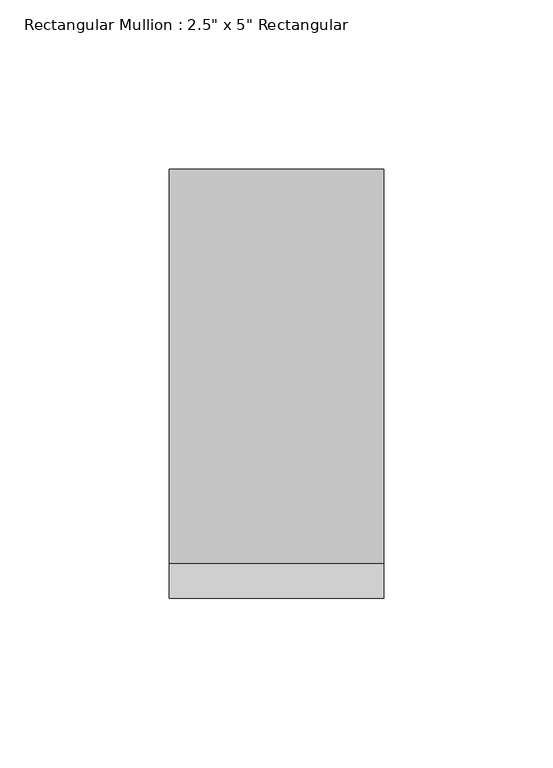
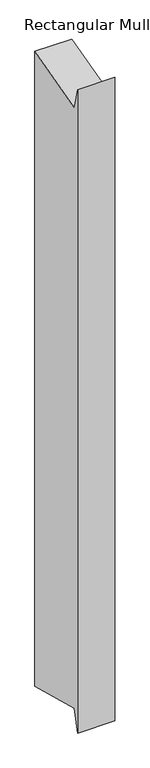
"""IFC4 building model written with IfcOpenShell, lengths in millimetres: member geometry."""

from ifc_helpers import new_model, si_unit, frame, origin, place, context, project, spatial, polyline, outline, extrude, source, transform, mapped, element, save


def member_a3ab64da(model_context):
    return source(origin(), model_context, "Body", "SweptSolid", [
        extrude(outline(polyline([(-63.5, 23.3900664), (-53.1187853, -15.3531543), (63.5, 15.894755), (63.5, -1135.7154292), (-53.1187853, -1104.4675199), (-63.5, -1143.2107406), (-63.5, 23.3900664)])), frame((-63.5, 0.0, 0.0), z_axis=(1.0, 0.0, 0.0), x_axis=(0.0, 1.0, 0.0)), (0.0, 0.0, 1.0), 63.5),
    ])


if __name__ == "__main__":
    model = new_model("IFC4")
    model_context = context("Model", 3, world=origin())
    ifc_project = project(units=[si_unit("LENGTHUNIT", "METRE", prefix="MILLI")], contexts=[model_context])
    site = spatial("IfcSite", under=ifc_project)
    building = spatial("IfcBuilding", under=site)
    placement = place(None, origin())
    member_shape = member_a3ab64da(model_context)
    element("IfcMember", 1, ObjectType="Rectangular Mullion : 2.5\" x 5\" Rectangular", at=placement, inside=building, context=model_context, shape_type="MappedRepresentation", body=[
        mapped(member_shape, transform((0.0, 0.0, 0.0), x_axis=(1.0, 0.0, 0.0), y_axis=(0.0, 1.0, 0.0), z_axis=(0.0, 0.0, 1.0))),
    ])
    save(model, "model.ifc")
